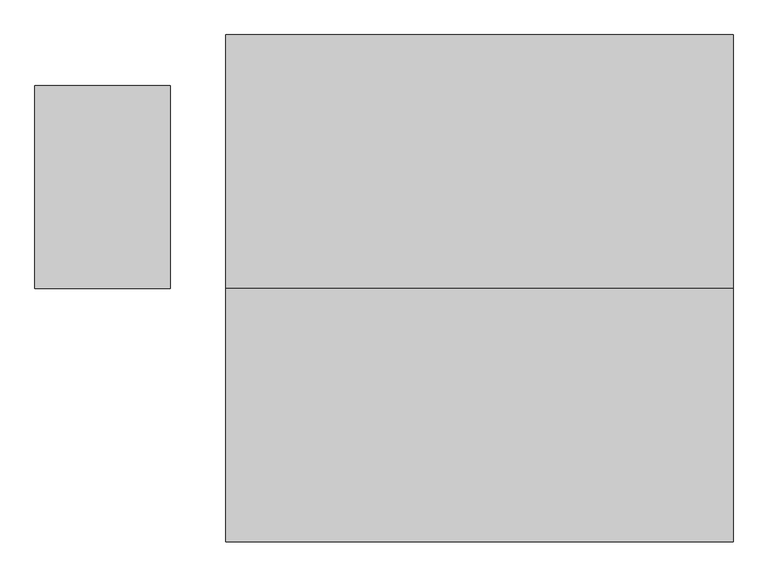
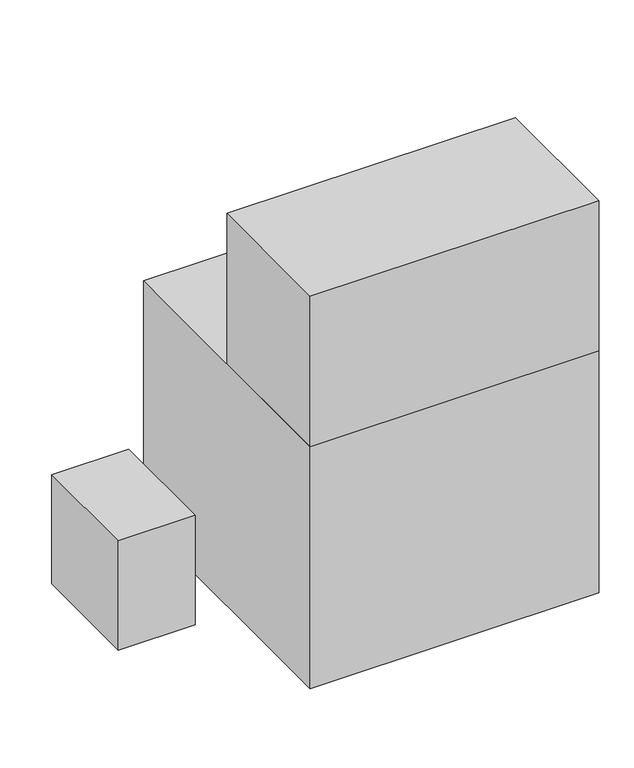
"""IFC4 building model written with IfcOpenShell, lengths in millimetres: proxy geometry."""

import ifcopenshell
import ifcopenshell.guid

model = None  # the IFC model being written
_history = None  # IfcOwnerHistory: only IFC2X3 demands one
_inside = {}  # id of a spatial element -> (the spatial element, [elements in it])
_under = {}  # id of a project, library or spatial element -> (it, [spatial elements below it])
_declared = {}  # id of a project -> (the project, [libraries it declares])
_typed = {}  # id of a type object -> (the type object, [elements of that type])
_made_of = {}  # id of a material, layer set ... -> (it, [elements and type objects made of it])


def new_model(schema):
    """Start an empty IFC model of exactly this schema.

    Asked for "IFC4X3", IfcOpenShell would pick the latest addendum, in which some entities
    have other attributes; the version numbers below select the first issue.
    IFC2X3 requires an IfcOwnerHistory on every rooted entity: one is made here for all.
    """
    global model, _history
    if schema == "IFC4X3":
        model = ifcopenshell.file(schema_version=(4, 3, 0, 0))
    else:
        model = ifcopenshell.file(schema=schema)
    _inside.clear()
    _under.clear()
    _declared.clear()
    _typed.clear()
    _made_of.clear()
    _history = None
    if model.schema == "IFC2X3":
        org = make("IfcOrganization", Name="unknown")
        user = make(
            "IfcPersonAndOrganization",
            ThePerson=make("IfcPerson", FamilyName="unknown"),
            TheOrganization=org,
        )
        app = make(
            "IfcApplication",
            ApplicationDeveloper=org,
            Version="unknown",
            ApplicationFullName="unknown",
            ApplicationIdentifier="unknown",
        )
        _history = make(
            "IfcOwnerHistory",
            OwningUser=user,
            OwningApplication=app,
            ChangeAction="ADDED",
            CreationDate=0,
        )
    return model


def make(cls, **values):
    """One entity of the class cls with the attributes given. An attribute that is None is left unset."""
    return model.create_entity(
        cls, **{name: value for name, value in values.items() if value is not None}
    )


def rooted(cls, **values):
    """An entity with a GlobalId (a new one), such as an element, a storey or a relation."""
    return make(cls, GlobalId=ifcopenshell.guid.new(), OwnerHistory=_history, **values)


def si_unit(unit_type, name, prefix=None):
    """IfcSIUnit, for example si_unit("LENGTHUNIT", "METRE", prefix="MILLI")."""
    return make("IfcSIUnit", UnitType=unit_type, Prefix=prefix, Name=name)


def assignment(units):
    """IfcUnitAssignment: the units of a project."""
    return None if units is None else make("IfcUnitAssignment", Units=units)


def point(xyz):
    """IfcCartesianPoint."""
    return None if xyz is None else make("IfcCartesianPoint", Coordinates=xyz)


def direction(xyz):
    """IfcDirection."""
    return None if xyz is None else make("IfcDirection", DirectionRatios=xyz)


def frame(location, z_axis=None, x_axis=None):
    """IfcAxis2Placement3D, a coordinate frame: its origin and axes. An axis left out is left unset."""
    return make(
        "IfcAxis2Placement3D",
        Location=point(location),
        Axis=direction(z_axis),
        RefDirection=direction(x_axis),
    )


def origin():
    """The frame at (0, 0, 0) with its axes left unset."""
    return frame((0.0, 0.0, 0.0))


def origin_with_axes():
    """The frame at (0, 0, 0) with the z axis (0, 0, 1) and the x axis (1, 0, 0) written out."""
    return frame((0.0, 0.0, 0.0), z_axis=(0.0, 0.0, 1.0), x_axis=(1.0, 0.0, 0.0))


def place(relative_to, where):
    """IfcLocalPlacement: puts the frame where relative to a parent placement (None: the world)."""
    return make(
        "IfcLocalPlacement", PlacementRelTo=relative_to, RelativePlacement=where
    )


def context(
    kind, dimensions, precision=None, world=None, true_north=None, identifier=None
):
    """IfcGeometricRepresentationContext, for example the 3D "Model" context."""
    return make(
        "IfcGeometricRepresentationContext",
        ContextIdentifier=identifier,
        ContextType=kind,
        CoordinateSpaceDimension=dimensions,
        Precision=precision,
        WorldCoordinateSystem=world,
        TrueNorth=true_north,
    )


def project(units=None, contexts=None):
    """IfcProject with its units and contexts."""
    return rooted(
        "IfcProject",
        Name="project",
        RepresentationContexts=contexts,
        UnitsInContext=assignment(units),
    )


def spatial(cls, under=None, at=None, **own):
    """A site, building, storey or space (cls), placed at a placement, below another one or the project."""
    s = rooted(cls, ObjectPlacement=at, **own)
    if under is not None:
        _under.setdefault(under.id(), (under, []))[1].append(s)
    return s


def polyline(points):
    """IfcPolyline through the points."""
    return make("IfcPolyline", Points=[point(p) for p in points])


def outline(outer, holes=None, kind="AREA"):
    """IfcArbitraryClosedProfileDef: a profile drawn as a closed curve; with holes, ...WithVoids."""
    if holes is None:
        return make("IfcArbitraryClosedProfileDef", ProfileType=kind, OuterCurve=outer)
    return make(
        "IfcArbitraryProfileDefWithVoids",
        ProfileType=kind,
        OuterCurve=outer,
        InnerCurves=holes,
    )


def extrude(swept, where, along, depth):
    """IfcExtrudedAreaSolid: the profile swept, set in the frame where, extruded along a direction by depth."""
    return make(
        "IfcExtrudedAreaSolid",
        SweptArea=swept,
        Position=where,
        ExtrudedDirection=direction(along),
        Depth=depth,
    )


def shape(context_of_items, identifier, shape_type, items):
    """IfcShapeRepresentation: the items that make up one representation, for example the "Body"."""
    return make(
        "IfcShapeRepresentation",
        ContextOfItems=context_of_items,
        RepresentationIdentifier=identifier,
        RepresentationType=shape_type,
        Items=items,
    )


def source(mapping_origin, context_of_items, identifier, shape_type, items):
    """IfcRepresentationMap: a shape defined once, which mapped items show again and again."""
    return make(
        "IfcRepresentationMap",
        MappingOrigin=mapping_origin,
        MappedRepresentation=shape(context_of_items, identifier, shape_type, items),
    )


def transform(
    local_origin,
    x_axis=None,
    y_axis=None,
    z_axis=None,
    scale=None,
    scale2=None,
    scale3=None,
    uniform=True,
):
    """IfcCartesianTransformationOperator3D, or its non-uniform kind. x_axis, y_axis, z_axis: its Axis1, 2, 3."""
    if uniform:
        return make(
            "IfcCartesianTransformationOperator3D",
            Axis1=direction(x_axis),
            Axis2=direction(y_axis),
            LocalOrigin=point(local_origin),
            Scale=scale,
            Axis3=direction(z_axis),
        )
    return make(
        "IfcCartesianTransformationOperator3DnonUniform",
        Axis1=direction(x_axis),
        Axis2=direction(y_axis),
        LocalOrigin=point(local_origin),
        Scale=scale,
        Axis3=direction(z_axis),
        Scale2=scale2,
        Scale3=scale3,
    )


def mapped(mapping_source, mapping_target):
    """IfcMappedItem: shows the shape of a source again, moved by a transform."""
    return make(
        "IfcMappedItem", MappingSource=mapping_source, MappingTarget=mapping_target
    )


def made_of(thing, what):
    """Note that an element or type object is made of a material, layer set ...; save() writes the relation."""
    if what is not None:
        _made_of.setdefault(what.id(), (what, []))[1].append(thing)
    return thing


def element(
    cls,
    number,
    at=None,
    inside=None,
    cuts=None,
    type_object=None,
    material=None,
    context=None,
    identifier="Body",
    shape_type=None,
    held_by="IfcProductDefinitionShape",
    body=None,
    shapes=None,
    **own,
):
    """One element of the class cls, such as IfcWall. Its Tag is "e" and its number.

    at: its placement. inside: the storey or other place that contains it. cuts: it is an
    opening in that element (IfcRelVoidsElement). A single representation is given by context,
    identifier, shape_type and body (its items); several are given by shapes. held_by: the class
    of the entity that holds the representations. save() writes the other relations.
    """
    e = rooted(cls, Tag="e%d" % number, ObjectPlacement=at, **own)
    if body is not None:
        shapes = [shape(context, identifier, shape_type, body)]
    if shapes is not None:
        e.Representation = make(held_by, Representations=shapes)
    if inside is not None:
        _inside.setdefault(inside.id(), (inside, []))[1].append(e)
    if cuts is not None:
        rooted(
            "IfcRelVoidsElement", RelatingBuildingElement=cuts, RelatedOpeningElement=e
        )
    if type_object is not None:
        _typed.setdefault(type_object.id(), (type_object, []))[1].append(e)
    return made_of(e, material)


def aggregate(whole, parts):
    """IfcRelAggregates: a whole, such as a stair, and the parts it consists of."""
    return rooted("IfcRelAggregates", RelatingObject=whole, RelatedObjects=parts)


def save(model, path):
    """Write the relations noted so far, then the file.

    IfcRelAggregates (storeys below a building ...), IfcRelContainedInSpatialStructure (elements
    in a storey), IfcRelDefinesByType, IfcRelAssociatesMaterial and IfcRelDeclares: one each for
    every whole, place, type object, material and project.
    """
    for whole, parts in _under.values():
        aggregate(whole, parts)
    for where, things in _inside.values():
        rooted(
            "IfcRelContainedInSpatialStructure",
            RelatedElements=things,
            RelatingStructure=where,
        )
    for kind, things in _typed.values():
        rooted("IfcRelDefinesByType", RelatedObjects=things, RelatingType=kind)
    for what, things in _made_of.values():
        rooted("IfcRelAssociatesMaterial", RelatedObjects=things, RelatingMaterial=what)
    for by, libraries in _declared.values():
        rooted("IfcRelDeclares", RelatingContext=by, RelatedDefinitions=libraries)
    model.write(path)


def specialty_equipment_d5cc363b(model_context):
    return source(origin(), model_context, "Body", "SweptSolid", [
        extrude(outline(polyline([(-667.955442, 0.0), (-667.955442, 304.8), (-464.755442, 304.8), (-464.755442, 0.0), (-667.955442, 0.0)])), origin_with_axes(), (0.0, 0.0, 1.0), 304.8),
        extrude(outline(polyline([(381.0, -381.0), (-381.0, -381.0), (-381.0, 0.0), (381.0, 0.0), (381.0, -381.0)])), frame((0.0, 0.0, 698.5), z_axis=(0.0, 0.0, 1.0), x_axis=(1.0, 0.0, 0.0)), (0.0, 0.0, 1.0), 419.1),
        extrude(outline(polyline([(381.0, 381.0), (381.0, -381.0), (-381.0, -381.0), (-381.0, 381.0), (381.0, 381.0)])), frame((0.0, 0.0, 23.6401717), z_axis=(0.0, 0.0, 1.0), x_axis=(1.0, 0.0, 0.0)), (0.0, 0.0, 1.0), 674.8598283),
    ])


if __name__ == "__main__":
    model = new_model("IFC4")
    model_context = context("Model", 3, world=origin())
    ifc_project = project(units=[si_unit("LENGTHUNIT", "METRE", prefix="MILLI")], contexts=[model_context])
    site = spatial("IfcSite", under=ifc_project)
    building = spatial("IfcBuilding", under=site)
    placement = place(None, origin())
    specialty_equipment_shape = specialty_equipment_d5cc363b(model_context)
    element("IfcBuildingElementProxy", 1, Name="Specialty Equipment", at=placement, inside=building, context=model_context, shape_type="MappedRepresentation", body=[
        mapped(specialty_equipment_shape, transform((0.0, 0.0, 0.0), x_axis=(1.0, 0.0, 0.0), y_axis=(0.0, 1.0, 0.0), z_axis=(0.0, 0.0, 1.0))),
    ])
    save(model, "model.ifc")
